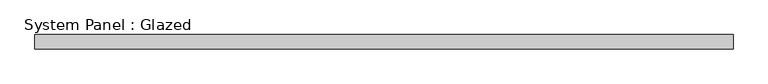
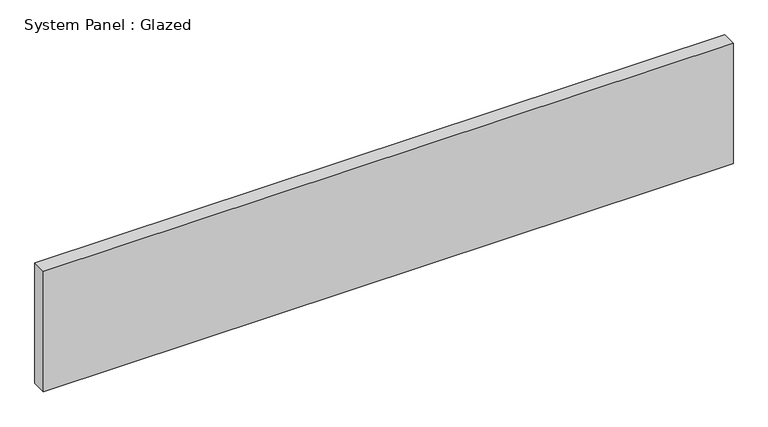
"""IFC4 building model written with IfcOpenShell, lengths in millimetres: plate geometry, System Panel : Glazed."""

from ifc_helpers import new_model, si_unit, origin, origin_with_axes, place, context, project, spatial, polyline, outline, extrude, source, transform, mapped, element, save


def system_panel_glazed_2e1348e4(model_context):
    return source(origin(), model_context, "Body", "SweptSolid", [
        extrude(outline(polyline([(608.33, 19.05), (-608.33, 19.05), (-608.33, 44.45), (608.33, 44.45), (608.33, 19.05)])), origin_with_axes(), (0.0, 0.0, 1.0), 224.8268665),
    ])


if __name__ == "__main__":
    model = new_model("IFC4")
    model_context = context("Model", 3, world=origin())
    ifc_project = project(units=[si_unit("LENGTHUNIT", "METRE", prefix="MILLI")], contexts=[model_context])
    site = spatial("IfcSite", under=ifc_project)
    building = spatial("IfcBuilding", under=site)
    placement = place(None, origin())
    system_panel_glazed_shape = system_panel_glazed_2e1348e4(model_context)
    element("IfcPlate", 1, ObjectType="System Panel : Glazed", at=placement, inside=building, context=model_context, shape_type="MappedRepresentation", body=[
        mapped(system_panel_glazed_shape, transform((0.0, 0.0, 0.0), x_axis=(1.0, 0.0, 0.0), y_axis=(0.0, 1.0, 0.0), z_axis=(0.0, 0.0, 1.0))),
    ])
    save(model, "model.ifc")
